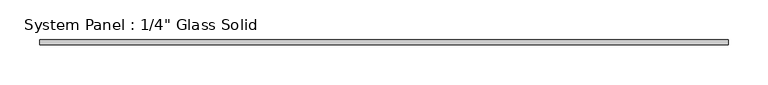
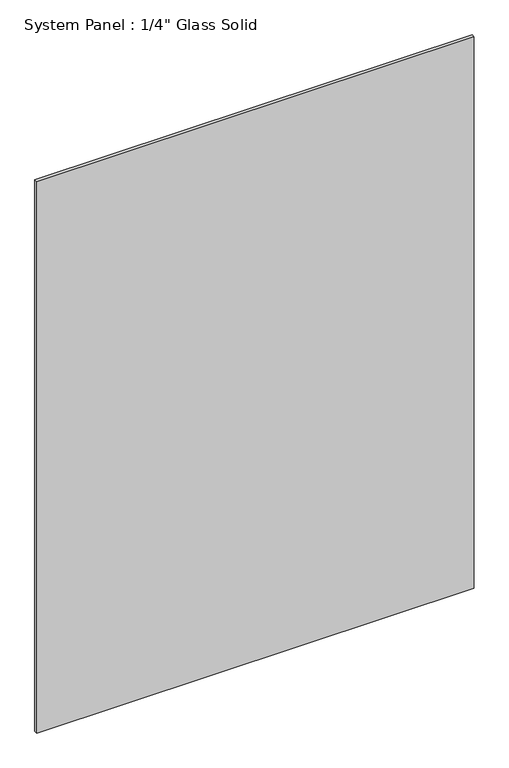
"""IFC4 building model written with IfcOpenShell, lengths in millimetres: plate geometry."""

from ifc_helpers import new_model, si_unit, origin, origin_with_axes, place, context, project, spatial, polyline, outline, extrude, source, transform, mapped, element, save


def plate_9ff511dc(model_context):
    return source(origin(), model_context, "Body", "SweptSolid", [
        extrude(outline(polyline([(433.3883852, -3.175), (-433.3883852, -3.175), (-433.3883852, 3.175), (433.3883852, 3.175), (433.3883852, -3.175)])), origin_with_axes(), (0.0, 0.0, 1.0), 1154.5441382),
    ])


if __name__ == "__main__":
    model = new_model("IFC4")
    model_context = context("Model", 3, world=origin())
    ifc_project = project(units=[si_unit("LENGTHUNIT", "METRE", prefix="MILLI")], contexts=[model_context])
    site = spatial("IfcSite", under=ifc_project)
    building = spatial("IfcBuilding", under=site)
    placement = place(None, origin())
    plate_shape = plate_9ff511dc(model_context)
    element("IfcPlate", 1, ObjectType="System Panel : 1/4\" Glass Solid", at=placement, inside=building, context=model_context, shape_type="MappedRepresentation", body=[
        mapped(plate_shape, transform((0.0, 0.0, 0.0), x_axis=(1.0, 0.0, 0.0), y_axis=(0.0, 1.0, 0.0), z_axis=(0.0, 0.0, 1.0))),
    ])
    save(model, "model.ifc")
